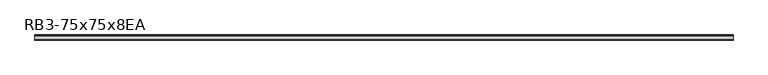
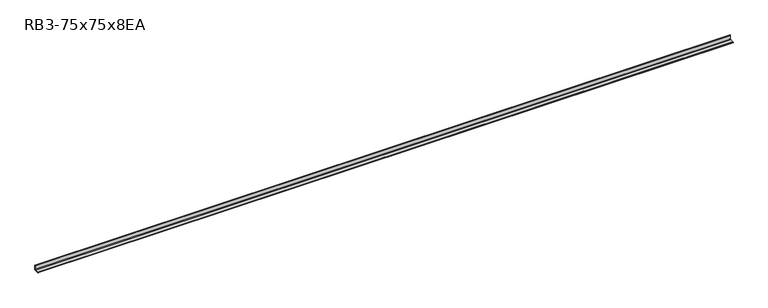
"""IFC4 building model written with IfcOpenShell, lengths in millimetres: member geometry, RB3-75x75x8EA."""

from ifc_helpers import new_model, si_unit, point, frame, frame_2d, origin, place, context, project, spatial, polyline, circle_curve, trimmed, segment, composite_curve, outline, extrude, source, transform, mapped, element, save


def rb3_75x75x8ea_91deff85(model_context):
    return source(origin(), model_context, "Body", "SweptSolid", [
        extrude(outline(composite_curve([segment(polyline([(21.3, -21.3), (-53.7, -21.3), (-53.7, -18.3)]), True, "CONTINUOUS"), segment(trimmed(circle_curve(frame_2d((-48.7, -18.3)), 5.0), [point((-53.7, -18.3))], [point((-48.7, -13.3))], False, "CARTESIAN"), True, "CONTINUOUS"), segment(polyline([(-48.7, -13.3), (5.3, -13.3)]), True, "CONTINUOUS"), segment(trimmed(circle_curve(frame_2d((5.3, -5.3)), 8.0), [point((5.3, -13.3))], [point((13.3, -5.3))], True, "CARTESIAN"), True, "CONTINUOUS"), segment(polyline([(13.3, -5.3), (13.3, 48.7)]), True, "CONTINUOUS"), segment(trimmed(circle_curve(frame_2d((18.3, 48.7)), 5.0), [point((13.3, 48.7))], [point((18.3, 53.7))], False, "CARTESIAN"), True, "CONTINUOUS"), segment(polyline([(18.3, 53.7), (21.3, 53.7), (21.3, -21.3)]), True, "CONTINUOUS")], self_intersect=False)), frame((-5073.0, 0.0, 0.0), z_axis=(1.0, 0.0, 0.0), x_axis=(0.0, 1.0, 0.0)), (0.0, 0.0, 1.0), 10191.0),
    ])


if __name__ == "__main__":
    model = new_model("IFC4")
    model_context = context("Model", 3, world=origin())
    ifc_project = project(units=[si_unit("LENGTHUNIT", "METRE", prefix="MILLI")], contexts=[model_context])
    site = spatial("IfcSite", under=ifc_project)
    building = spatial("IfcBuilding", under=site)
    placement = place(None, origin())
    rb3_75x75x8ea_shape = rb3_75x75x8ea_91deff85(model_context)
    element("IfcMember", 1, ObjectType="RB3-75x75x8EA", at=placement, inside=building, context=model_context, shape_type="MappedRepresentation", body=[
        mapped(rb3_75x75x8ea_shape, transform((0.0, 0.0, 0.0), x_axis=(1.0, 0.0, 0.0), y_axis=(0.0, 1.0, 0.0), z_axis=(0.0, 0.0, 1.0))),
    ])
    save(model, "model.ifc")
